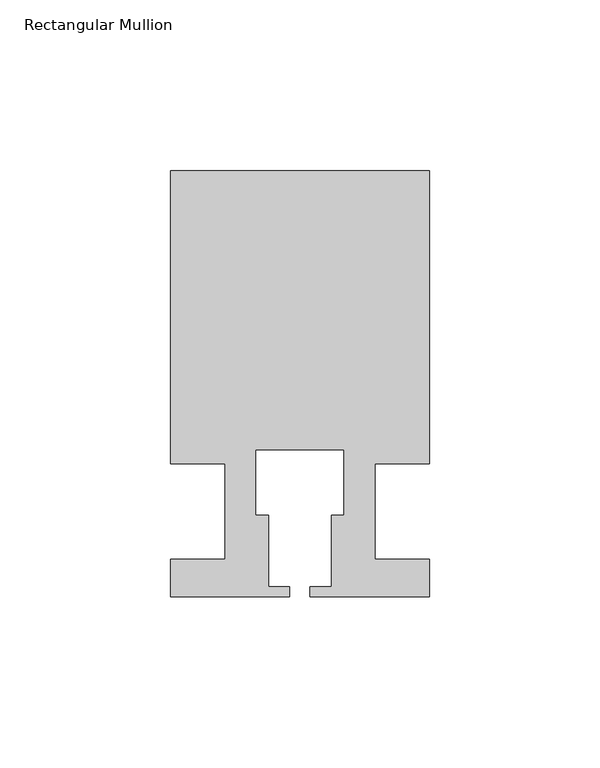
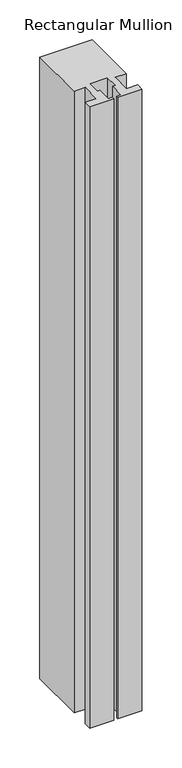
"""IFC4 building model written with IfcOpenShell, lengths in millimetres: member geometry, Rectangular Mullion."""

from ifc_helpers import new_model, si_unit, frame, origin, place, context, project, spatial, polyline, outline, extrude, source, transform, mapped, element, save


def rectangular_mullion_20a48068(model_context):
    return source(origin(), model_context, "Body", "SweptSolid", [
        extrude(outline(polyline([(37.9999914, 99.9960123), (37.9999914, 13.9960123), (21.9999651, 13.9960123), (21.9999651, -14.0039877), (37.9999896, -14.0039877), (37.9999896, -25.0039877), (2.9999651, -25.0039877), (2.9999651, -22.0039877), (9.1999651, -22.0039877), (9.1999651, -1.0039877), (12.9999651, -1.0039877), (12.9999651, 18.1960075), (-12.9999633, 18.1960075), (-12.9999633, -1.0039877), (-9.1999633, -1.0039877), (-9.1999633, -22.0039877), (-2.9999896, -22.0039877), (-2.9999896, -25.0039877), (-37.9999896, -25.0039877), (-37.9999896, -14.0039877), (-21.9999633, -14.0039877), (-21.9999633, 13.9960123), (-37.9999896, 13.9960123), (-37.9999896, 99.9960123), (37.9999914, 99.9960123)])), frame((0.0, 0.0, -953.6595328), z_axis=(0.0, 0.0, 1.0), x_axis=(1.0, 0.0, 0.0)), (0.0, 0.0, 1.0), 953.6595328),
    ])


if __name__ == "__main__":
    model = new_model("IFC4")
    model_context = context("Model", 3, world=origin())
    ifc_project = project(units=[si_unit("LENGTHUNIT", "METRE", prefix="MILLI")], contexts=[model_context])
    site = spatial("IfcSite", under=ifc_project)
    building = spatial("IfcBuilding", under=site)
    placement = place(None, origin())
    rectangular_mullion_shape = rectangular_mullion_20a48068(model_context)
    element("IfcMember", 1, ObjectType="Rectangular Mullion", at=placement, inside=building, context=model_context, shape_type="MappedRepresentation", body=[
        mapped(rectangular_mullion_shape, transform((0.0, 0.0, 0.0), x_axis=(1.0, 0.0, 0.0), y_axis=(0.0, 1.0, 0.0), z_axis=(0.0, 0.0, 1.0))),
    ])
    save(model, "model.ifc")
